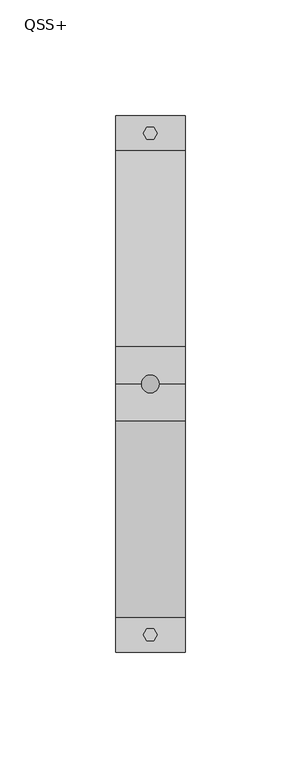
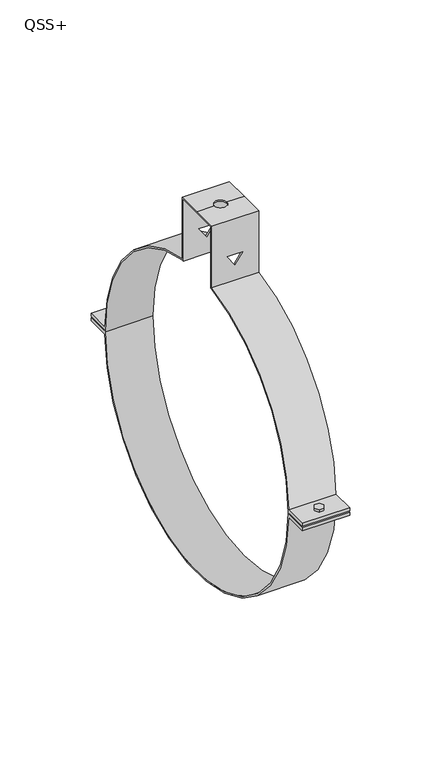
"""IFC4 building model written with IfcOpenShell, lengths in millimetres: proxy geometry, QSS+."""

from ifc_helpers import new_model, si_unit, frame, origin, place, context, project, spatial, polyline, circle_curve, outline, extrude, source, transform, mapped, element, save
from ifc_brep_helpers import plane_surface, cylinder_surface, revolved_surface, advanced_brep


def qss_add4205a(model_context):
    return source(origin(), model_context, "Body", "SolidModel", [
        extrude(outline(polyline([(1.5, 111.0980762), (3.0, 108.5), (1.5, 105.9019238), (-1.5, 105.9019238), (-3.0, 108.5), (-1.5, 111.0980762), (1.5, 111.0980762)])), frame((0.0, 0.0, -4.0), z_axis=(0.0, 0.0, 1.0), x_axis=(1.0, 0.0, 0.0)), (0.0, 0.0, 1.0), 8.0),
        extrude(outline(polyline([(1.5, -111.0980762), (-1.5, -111.0980762), (-3.0, -108.5), (-1.5, -105.9019238), (1.5, -105.9019238), (3.0, -108.5), (1.5, -111.0980762)])), frame((0.0, 0.0, -4.0), z_axis=(0.0, 0.0, 1.0), x_axis=(1.0, 0.0, 0.0)), (0.0, 0.0, 1.0), 8.0),
        advanced_brep(
        [(-15.0, -16.0, 141.0), (-15.0, 0.0, 141.0), (-15.0, 16.0, 141.0), (-15.0, 16.0, 99.7246208), (-15.0, 100.969873, 2.4667277), (-15.0, 116.0, 2.4667277), (-15.0, 116.0, 0.4667277), (-15.0, 100.9989216, 0.4667277), (-15.0, 101.0, 0.0), (-15.0, 100.9989216, -0.4667277), (-15.0, 116.0, -0.4667277), (-15.0, 116.0, -2.4667277), (-15.0, 100.969873, -2.4667277), (-15.0, -100.9689422, -2.5045372), (-15.0, -116.0, -2.5045372), (-15.0, -116.0, -0.5045372), (-15.0, -100.9987398, -0.5045372), (-15.0, -101.0, 0.0), (-15.0, -100.9987398, 0.5045372), (-15.0, -116.0, 0.5045372), (-15.0, -116.0, 2.5045372), (-15.0, -100.9689422, 2.5045372), (-15.0, -16.0, 99.7246208), (-15.0, 14.9730976, 140.0081289), (-15.0, 0.0, 140.0081289), (-15.0, -14.9730976, 140.0081289), (-15.0, -14.9730976, 98.8726775), (-15.0, -16.0, 98.7117014), (-15.0, -100.0, 0.0), (-15.0, 100.0, 0.0), (-15.0, 16.0, 98.7117014), (-15.0, 14.9730976, 98.8726775), (15.0, 16.0, 141.0), (15.0, 0.0, 141.0), (15.0, -16.0, 141.0), (15.0, -16.0, 99.7246208), (15.0, -100.9689422, 2.5045372), (15.0, -116.0, 2.5045372), (15.0, -116.0, 0.5045372), (15.0, -100.9987398, 0.5045372), (15.0, -101.0, 0.0), (15.0, -100.9987398, -0.5045372), (15.0, -116.0, -0.5045372), (15.0, -116.0, -2.5045372), (15.0, -100.9689422, -2.5045372), (15.0, 100.969873, -2.4667277), (15.0, 116.0, -2.4667277), (15.0, 116.0, -0.4667277), (15.0, 100.9989216, -0.4667277), (15.0, 101.0, 0.0), (15.0, 100.9989216, 0.4667277), (15.0, 116.0, 0.4667277), (15.0, 116.0, 2.4667277), (15.0, 100.969873, 2.4667277), (15.0, 16.0, 99.7246208), (15.0, -14.9730976, 140.0081289), (15.0, 0.0, 140.0081289), (15.0, 14.9730976, 140.0081289), (15.0, 14.9730976, 98.8726775), (15.0, 16.0, 98.7117014), (15.0, 100.0, 0.0), (15.0, -100.0, 0.0), (15.0, -16.0, 98.7117014), (15.0, -14.9730976, 98.8726775), (-4.0, 0.0, 141.0), (4.0, 0.0, 141.0), (0.0, -16.0, 116.8826485), (4.9139468, -16.0, 116.8826485), (0.0, -16.0, 109.8648052), (-4.9139468, -16.0, 116.8826485), (4.9139468, -14.9730976, 116.8826485), (0.0, -14.9730976, 116.8826485), (-4.9139468, -14.9730976, 116.8826485), (0.0, -14.9730976, 109.8648052), (-4.0, 0.0, 140.0081289), (4.0, 0.0, 140.0081289), (0.0, 14.9730976, 116.8826485), (4.9139468, 14.9730976, 116.8826485), (0.0, 14.9730976, 109.8648052), (-4.9139468, 14.9730976, 116.8826485), (4.9139468, 16.0, 116.8826485), (0.0, 16.0, 116.8826485), (-4.9139468, 16.0, 116.8826485), (0.0, 16.0, 109.8648052)],
        [
            (0, 1),
            (1, 2),
            (2, 3),
            (3, 4, circle_curve(frame((-15.0, 0.0, 0.0), z_axis=(-1.0, 0.0, 0.0), x_axis=(0.0, 1.0, 0.0)), 101.0)),
            (4, 5),
            (5, 6),
            (6, 7),
            (7, 8, circle_curve(frame((-15.0, 0.0, 0.0), z_axis=(-1.0, 0.0, 0.0), x_axis=(0.0, 1.0, 0.0)), 101.0)),
            (8, 9, circle_curve(frame((-15.0, 0.0, 0.0), z_axis=(-1.0, 0.0, 0.0), x_axis=(0.0, 1.0, 0.0)), 101.0)),
            (9, 10),
            (10, 11),
            (11, 12),
            (12, 13, circle_curve(frame((-15.0, 0.0, 0.0), z_axis=(-1.0, 0.0, 0.0), x_axis=(0.0, 1.0, 0.0)), 101.0)),
            (13, 14),
            (14, 15),
            (15, 16),
            (16, 17, circle_curve(frame((-15.0, 0.0, 0.0), z_axis=(-1.0, 0.0, 0.0), x_axis=(0.0, 1.0, 0.0)), 101.0)),
            (17, 18, circle_curve(frame((-15.0, 0.0, 0.0), z_axis=(-1.0, 0.0, 0.0), x_axis=(0.0, 1.0, 0.0)), 101.0)),
            (18, 19),
            (19, 20),
            (20, 21),
            (21, 22, circle_curve(frame((-15.0, 0.0, 0.0), z_axis=(-1.0, 0.0, 0.0), x_axis=(0.0, 1.0, 0.0)), 101.0)),
            (22, 0),
            (23, 24),
            (24, 25),
            (25, 26),
            (26, 27, circle_curve(frame((-15.0, 0.0, 0.0), z_axis=(1.0, 0.0, 0.0), x_axis=(0.0, 1.0, 0.0)), 100.0)),
            (27, 28, circle_curve(frame((-15.0, 0.0, 0.0), z_axis=(1.0, 0.0, 0.0), x_axis=(0.0, 1.0, 0.0)), 100.0)),
            (28, 29, circle_curve(frame((-15.0, 0.0, 0.0), z_axis=(1.0, 0.0, 0.0), x_axis=(0.0, 1.0, 0.0)), 100.0)),
            (29, 30, circle_curve(frame((-15.0, 0.0, 0.0), z_axis=(1.0, 0.0, 0.0), x_axis=(0.0, 1.0, 0.0)), 100.0)),
            (30, 31, circle_curve(frame((-15.0, 0.0, 0.0), z_axis=(1.0, 0.0, 0.0), x_axis=(0.0, 1.0, 0.0)), 100.0)),
            (31, 23),
            (32, 33),
            (33, 34),
            (34, 35),
            (35, 36, circle_curve(frame((15.0, 0.0, 0.0), z_axis=(1.0, 0.0, 0.0), x_axis=(0.0, 1.0, 0.0)), 101.0)),
            (36, 37),
            (37, 38),
            (38, 39),
            (39, 40, circle_curve(frame((15.0, 0.0, 0.0), z_axis=(1.0, 0.0, 0.0), x_axis=(0.0, 1.0, 0.0)), 101.0)),
            (40, 41, circle_curve(frame((15.0, 0.0, 0.0), z_axis=(1.0, 0.0, 0.0), x_axis=(0.0, 1.0, 0.0)), 101.0)),
            (41, 42),
            (42, 43),
            (43, 44),
            (44, 45, circle_curve(frame((15.0, 0.0, 0.0), z_axis=(1.0, 0.0, 0.0), x_axis=(0.0, 1.0, 0.0)), 101.0)),
            (45, 46),
            (46, 47),
            (47, 48),
            (48, 49, circle_curve(frame((15.0, 0.0, 0.0), z_axis=(1.0, 0.0, 0.0), x_axis=(0.0, 1.0, 0.0)), 101.0)),
            (49, 50, circle_curve(frame((15.0, 0.0, 0.0), z_axis=(1.0, 0.0, 0.0), x_axis=(0.0, 1.0, 0.0)), 101.0)),
            (50, 51),
            (51, 52),
            (52, 53),
            (53, 54, circle_curve(frame((15.0, 0.0, 0.0), z_axis=(1.0, 0.0, 0.0), x_axis=(0.0, 1.0, 0.0)), 101.0)),
            (54, 32),
            (55, 56),
            (56, 57),
            (57, 58),
            (58, 59, circle_curve(frame((15.0, 0.0, 0.0), z_axis=(-1.0, 0.0, 0.0), x_axis=(0.0, 1.0, 0.0)), 100.0)),
            (59, 60, circle_curve(frame((15.0, 0.0, 0.0), z_axis=(-1.0, 0.0, 0.0), x_axis=(0.0, 1.0, 0.0)), 100.0)),
            (60, 61, circle_curve(frame((15.0, 0.0, 0.0), z_axis=(-1.0, 0.0, 0.0), x_axis=(0.0, 1.0, 0.0)), 100.0)),
            (61, 62, circle_curve(frame((15.0, 0.0, 0.0), z_axis=(-1.0, 0.0, 0.0), x_axis=(0.0, 1.0, 0.0)), 100.0)),
            (62, 63, circle_curve(frame((15.0, 0.0, 0.0), z_axis=(-1.0, 0.0, 0.0), x_axis=(0.0, 1.0, 0.0)), 100.0)),
            (63, 55),
            (1, 64),
            (64, 65, circle_curve(frame((0.0, 0.0, 141.0), z_axis=(0.0, 0.0, -1.0), x_axis=(1.0, 0.0, 0.0)), 4.0)),
            (65, 33),
            (32, 2),
            (0, 34),
            (65, 64, circle_curve(frame((0.0, 0.0, 141.0), z_axis=(0.0, 0.0, -1.0), x_axis=(1.0, 0.0, 0.0)), 4.0)),
            (22, 35),
            (66, 67),
            (67, 68),
            (68, 69),
            (69, 66),
            (25, 55),
            (63, 26),
            (70, 71),
            (71, 72),
            (72, 73),
            (73, 70),
            (24, 74),
            (74, 75, circle_curve(frame((0.0, 0.0, 140.0081289), z_axis=(0.0, 0.0, 1.0), x_axis=(1.0, 0.0, 0.0)), 4.0)),
            (75, 56),
            (23, 57),
            (75, 74, circle_curve(frame((0.0, 0.0, 140.0081289), z_axis=(0.0, 0.0, 1.0), x_axis=(1.0, 0.0, 0.0)), 4.0)),
            (31, 58),
            (76, 77),
            (77, 78),
            (78, 79),
            (79, 76),
            (54, 3),
            (80, 81),
            (81, 82),
            (82, 83),
            (83, 80),
            (61, 28),
            (27, 62),
            (29, 60),
            (59, 30),
            (40, 17),
            (16, 41),
            (8, 49),
            (48, 9),
            (12, 45),
            (44, 13),
            (21, 36),
            (53, 4),
            (39, 18),
            (7, 50),
            (6, 51),
            (5, 52),
            (11, 46),
            (10, 47),
            (38, 19),
            (37, 20),
            (43, 14),
            (42, 15),
            (70, 67),
            (66, 71),
            (80, 77),
            (76, 81),
            (69, 72),
            (79, 82),
            (68, 73),
            (78, 83),
            (65, 75),
            (74, 64),
        ],
        [
            plane_surface(frame((-15.0, 16.0, 141.0), z_axis=(-1.0, 0.0, 0.0), x_axis=(0.0, 1.0, 0.0))),
            plane_surface(frame((15.0, 16.0, 141.0), z_axis=(1.0, 0.0, 0.0), x_axis=(0.0, -1.0, 0.0))),
            plane_surface(frame((15.0, 16.0, 141.0), z_axis=(0.0, 0.0, 1.0), x_axis=(-1.0, 0.0, 0.0))),
            plane_surface(frame((15.0, 0.0, 141.0), z_axis=(0.0, 0.0, 1.0), x_axis=(-1.0, 0.0, 0.0))),
            plane_surface(frame((15.0, -16.0, 141.0), z_axis=(0.0, -1.0, 0.0), x_axis=(-1.0, 0.0, 0.0))),
            plane_surface(frame((15.0, -14.9730976, 0.0), z_axis=(0.0, 1.0, 0.0), x_axis=(-1.0, 0.0, 0.0))),
            plane_surface(frame((15.0, -14.9730976, 140.0081289), z_axis=(0.0, 0.0, -1.0), x_axis=(-1.0, 0.0, 0.0))),
            plane_surface(frame((15.0, 0.0, 140.0081289), z_axis=(0.0, 0.0, -1.0), x_axis=(-1.0, 0.0, 0.0))),
            plane_surface(frame((15.0, 14.9730976, 140.0081289), z_axis=(0.0, -1.0, 0.0), x_axis=(-1.0, 0.0, 0.0))),
            plane_surface(frame((15.0, 16.0, 0.0), z_axis=(0.0, 1.0, 0.0), x_axis=(-1.0, 0.0, 0.0))),
            revolved_surface(polyline([(-15.0, 100.0, 0.0), (15.0, 100.0, 0.0)]), (-15.0, 0.0, 0.0), (-1.0, 0.0, 0.0)),
            cylinder_surface(frame((0.0, 0.0, 0.0), z_axis=(1.0, 0.0, 0.0), x_axis=(0.0, 1.0, 0.0)), 101.0),
            revolved_surface(polyline([(15.0, 100.0, 0.0), (-15.0, 100.0, 0.0)]), (-15.0, 0.0, 0.0), (1.0, 0.0, 0.0)),
            plane_surface(frame((15.0, 100.2591075, 0.4667277), z_axis=(0.0, 0.0, -1.0), x_axis=(-1.0, 0.0, 0.0))),
            plane_surface(frame((15.0, 116.0, 0.4667277), z_axis=(0.0, 1.0, 0.0), x_axis=(-1.0, 0.0, 0.0))),
            plane_surface(frame((15.0, 116.0, 2.4667277), z_axis=(0.0, 0.0, 1.0), x_axis=(-1.0, 0.0, 0.0))),
            plane_surface(frame((15.0, 100.2591075, -2.4667277), z_axis=(0.0, 0.0, -1.0), x_axis=(-1.0, 0.0, 0.0))),
            plane_surface(frame((15.0, 116.0, -2.4667277), z_axis=(0.0, 1.0, 0.0), x_axis=(-1.0, 0.0, 0.0))),
            plane_surface(frame((15.0, 116.0, -0.4667277), z_axis=(0.0, 0.0, 1.0), x_axis=(-1.0, 0.0, 0.0))),
            plane_surface(frame((15.0, -116.0, 0.5045372), z_axis=(0.0, 0.0, -1.0), x_axis=(-1.0, 0.0, 0.0))),
            plane_surface(frame((15.0, -116.0, 2.5045372), z_axis=(0.0, -1.0, 0.0), x_axis=(-1.0, 0.0, 0.0))),
            plane_surface(frame((15.0, -100.2591075, 2.5045372), z_axis=(0.0, 0.0, 1.0), x_axis=(-1.0, 0.0, 0.0))),
            plane_surface(frame((15.0, -116.0, -2.5045372), z_axis=(0.0, 0.0, -1.0), x_axis=(-1.0, 0.0, 0.0))),
            plane_surface(frame((15.0, -116.0, -0.5045372), z_axis=(0.0, -1.0, 0.0), x_axis=(-1.0, 0.0, 0.0))),
            plane_surface(frame((15.0, -100.2591075, -0.5045372), z_axis=(0.0, 0.0, 1.0), x_axis=(-1.0, 0.0, 0.0))),
            plane_surface(frame((4.9139468, -23.1577597, 116.8826485), z_axis=(0.0, 0.0, -1.0), x_axis=(0.0, 1.0, 0.0))),
            plane_surface(frame((0.0, -23.1577597, 116.8826485), z_axis=(0.0, 0.0, -1.0), x_axis=(0.0, 1.0, 0.0))),
            plane_surface(frame((-4.9139468, -23.1577597, 116.8826485), z_axis=(0.8191520442889925, 0.0, 0.5735764363510453), x_axis=(0.0, 1.0, 0.0))),
            plane_surface(frame((0.0, -23.1577597, 109.8648052), z_axis=(-0.8191520442889926, 0.0, 0.5735764363510449), x_axis=(0.0, 1.0, 0.0))),
            revolved_surface(polyline([(4.0, 0.0, 141.0), (4.0, 0.0, 140.0081289)]), (0.0, 0.0, 140.0081289), (0.0, 0.0, 1.0)),
        ],
        [
            (0, [[1, 2, 3, 4, 5, 6, 7, 8, 9, 10, 11, 12, 13, 14, 15, 16, 17, 18, 19, 20, 21, 22, 23], [24, 25, 26, 27, 28, 29, 30, 31, 32]]),
            (1, [[33, 34, 35, 36, 37, 38, 39, 40, 41, 42, 43, 44, 45, 46, 47, 48, 49, 50, 51, 52, 53, 54, 55], [56, 57, 58, 59, 60, 61, 62, 63, 64]]),
            (2, [[-2, 65, 66, 67, -33, 68]]),
            (3, [[-1, 69, -34, -67, 70, -65]]),
            (4, [[-69, -23, 71, -35], [72, 73, 74, 75]]),
            (5, [[76, -64, 77, -26], [78, 79, 80, 81]]),
            (6, [[-25, 82, 83, 84, -56, -76]]),
            (7, [[-24, 85, -57, -84, 86, -82]]),
            (8, [[-85, -32, 87, -58], [88, 89, 90, 91]]),
            (9, [[-68, -55, 92, -3], [93, 94, 95, 96]]),
            (10, [[97, -28, 98, -62]]),
            (10, [[99, -60, 100, -30]]),
            (10, [[-29, -97, -61, -99]]),
            (11, [[101, -17, 102, -41]]),
            (11, [[103, -49, 104, -9]]),
            (11, [[105, -45, 106, -13]]),
            (11, [[-71, -22, 107, -36]]),
            (11, [[-92, -54, 108, -4]]),
            (11, [[-101, -40, 109, -18]]),
            (11, [[-103, -8, 110, -50]]),
            (12, [[-27, -77, -63, -98]]),
            (12, [[-31, -100, -59, -87]]),
            (13, [[111, -51, -110, -7]]),
            (14, [[-52, -111, -6, 112]]),
            (15, [[-112, -5, -108, -53]]),
            (16, [[113, -46, -105, -12]]),
            (17, [[-47, -113, -11, 114]]),
            (18, [[-114, -10, -104, -48]]),
            (19, [[115, -19, -109, -39]]),
            (20, [[-38, 116, -20, -115]]),
            (21, [[-116, -37, -107, -21]]),
            (22, [[117, -14, -106, -44]]),
            (23, [[-43, 118, -15, -117]]),
            (24, [[-118, -42, -102, -16]]),
            (25, [[119, -72, 120, -78]]),
            (25, [[121, -88, 122, -93]]),
            (26, [[-120, -75, 123, -79]]),
            (26, [[-122, -91, 124, -94]]),
            (27, [[-123, -74, 125, -80]]),
            (27, [[-124, -90, 126, -95]]),
            (28, [[-119, -81, -125, -73]]),
            (28, [[-121, -96, -126, -89]]),
            (29, [[127, -83, 128, -70]]),
            (29, [[-127, -66, -128, -86]]),
        ],
    ),
    ])


if __name__ == "__main__":
    model = new_model("IFC4")
    model_context = context("Model", 3, world=origin())
    ifc_project = project(units=[si_unit("LENGTHUNIT", "METRE", prefix="MILLI")], contexts=[model_context])
    site = spatial("IfcSite", under=ifc_project)
    building = spatial("IfcBuilding", under=site)
    placement = place(None, origin())
    qss_shape = qss_add4205a(model_context)
    element("IfcBuildingElementProxy", 1, Name="QSS+", ObjectType="QSS+", at=placement, inside=building, context=model_context, shape_type="MappedRepresentation", body=[
        mapped(qss_shape, transform((0.0, 0.0, 0.0), x_axis=(1.0, 0.0, 0.0), y_axis=(0.0, 1.0, 0.0), z_axis=(0.0, 0.0, 1.0))),
    ])
    save(model, "model.ifc")
